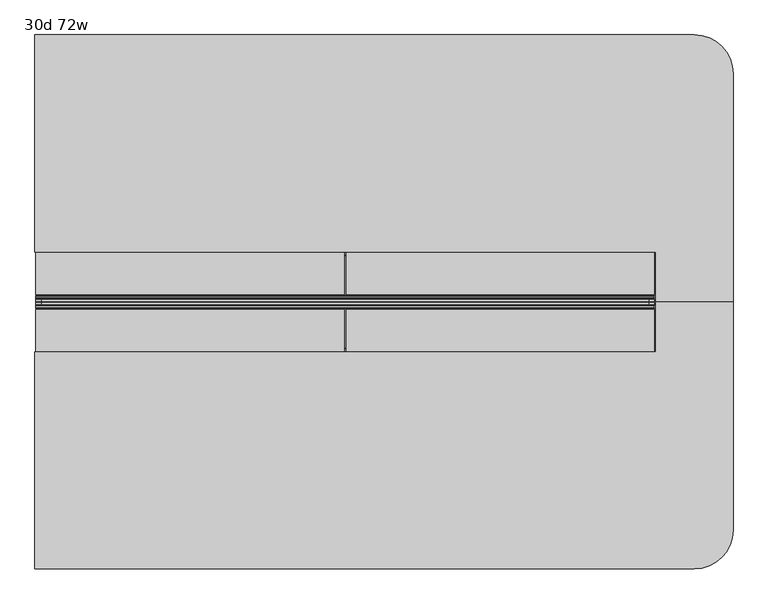
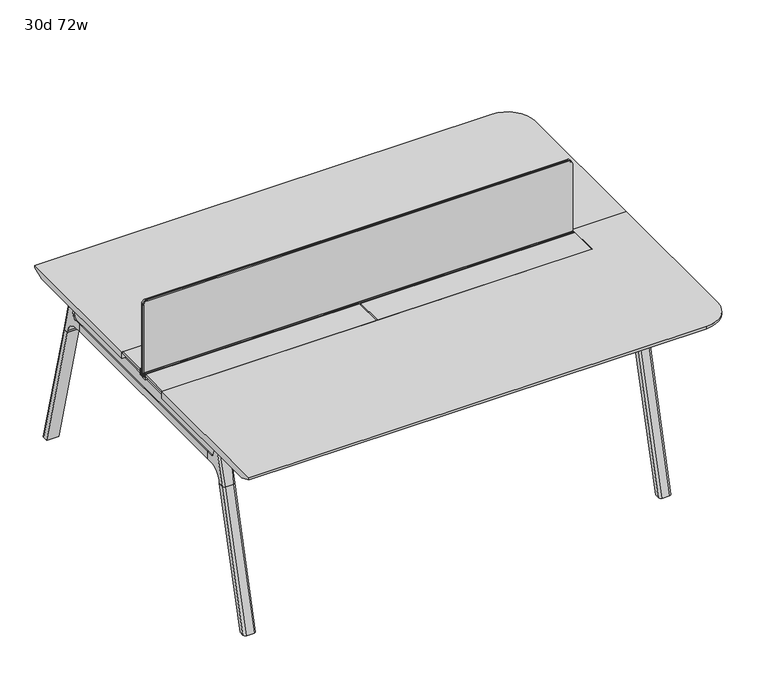
"""IFC4 building model written with IfcOpenShell, lengths in millimetres: furniture geometry, 30d 72w."""

from ifc_helpers import new_model, si_unit, point, frame, frame_2d, origin, place, context, project, spatial, polyline, circle_curve, ellipse_curve, trimmed, segment, composite_curve, outline, extrude, source, transform, mapped, element, save
from ifc_brep_helpers import plane_surface, cylinder_surface, revolved_surface, advanced_brep


def furniture_30d_72w_a3f4189d(model_context):
    return source(origin(), model_context, "Body", "SolidModel", [
        extrude(outline(polyline([(-18.0090763, 706.4375), (3.7767266, 706.4375), (3.7767266, 705.2310087), (-17.4495292, 705.2310087), (-19.0070753, 703.6734626), (-49.1186716, 567.0903512), (-50.5285062, 567.4011683), (-20.404074, 704.0425023), (-18.0090763, 706.4375)])), frame((-469.9, 0.0, 0.0), z_axis=(1.0, 0.0, 0.0), x_axis=(0.0, 1.0, 0.0)), (0.0, 0.0, 1.0), 31.8008024),
        extrude(outline(polyline([(-381.4978768, 706.4375), (-379.1028791, 704.0425023), (-348.9784469, 567.4011683), (-350.3882815, 567.0903512), (-380.4998778, 703.6734626), (-382.0574239, 705.2310087), (-403.2836797, 705.2310087), (-403.2836797, 706.4375), (-381.4978768, 706.4375)])), frame((-469.9, 0.0, 0.0), z_axis=(1.0, 0.0, 0.0), x_axis=(0.0, 1.0, 0.0)), (0.0, 0.0, 1.0), 31.8008024),
        extrude(outline(polyline([(-18.0090763, 706.4375), (3.7767266, 706.4375), (3.7767266, 705.2310087), (-17.4495292, 705.2310087), (-19.0070753, 703.6734626), (-49.1186716, 567.0903512), (-50.5285062, 567.4011683), (-20.404074, 704.0425023), (-18.0090763, 706.4375)])), frame((869.8991976, 0.0, 0.0), z_axis=(1.0, 0.0, 0.0), x_axis=(0.0, 1.0, 0.0)), (0.0, 0.0, 1.0), 31.8008024),
        extrude(outline(polyline([(-381.4978768, 706.4375), (-379.1028791, 704.0425023), (-348.9784469, 567.4011683), (-350.3882815, 567.0903512), (-380.4998778, 703.6734626), (-382.0574239, 705.2310087), (-403.2836797, 705.2310087), (-403.2836797, 706.4375), (-381.4978768, 706.4375)])), frame((869.8991976, 0.0, 0.0), z_axis=(1.0, 0.0, 0.0), x_axis=(0.0, 1.0, 0.0)), (0.0, 0.0, 1.0), 31.8008024),
        extrude(outline(polyline([(-353.550475, 565.5309966), (-351.518477, 567.5629947), (-350.957211, 567.0017287), (-352.756725, 565.2022146), (-352.756725, 557.3042827), (-352.5317745, 556.4647622), (-337.4390802, 530.3234395), (-336.0037101, 529.4947272), (-63.503243, 529.4947272), (-62.0678729, 530.3234395), (-46.9751786, 556.4647622), (-46.7502281, 557.3042827), (-46.7502281, 565.2022146), (-48.5497421, 567.0017287), (-47.9884761, 567.5629947), (-45.9564781, 565.5309966), (-45.9564781, 557.1997828), (-46.2355217, 556.1583856), (-61.4868074, 529.7423744), (-63.2905581, 528.7009772), (-336.216395, 528.7009772), (-338.0201457, 529.7423744), (-353.2714314, 556.1583856), (-353.550475, 557.1997828), (-353.550475, 565.5309966)])), frame((-469.8492037, 0.0, 0.0), z_axis=(1.0, 0.0, 0.0), x_axis=(0.0, 1.0, 0.0)), (0.0, 0.0, 1.0), 1371.5492037),
        extrude(outline(composite_curve([segment(polyline([(330.4715234, 711.2), (321.4134226, 677.3947076)]), True, "CONTINUOUS"), segment(trimmed(circle_curve(frame_2d((306.0793501, 681.5034599)), 15.875), [point((321.4134226, 677.3947076))], [point((306.0793501, 665.6284599))], False, "CARTESIAN"), True, "CONTINUOUS"), segment(polyline([(306.0793501, 665.6284599), (-705.5863033, 665.6284599)]), True, "CONTINUOUS"), segment(trimmed(circle_curve(frame_2d((-705.5863033, 681.5034599)), 15.875), [point((-705.5863033, 665.6284599))], [point((-720.9203758, 677.3947076))], False, "CARTESIAN"), True, "CONTINUOUS"), segment(polyline([(-720.9203758, 677.3947076), (-729.9784766, 711.2), (330.4715234, 711.2)]), True, "CONTINUOUS")], self_intersect=False)), frame((-685.8, 0.0, 0.0), z_axis=(1.0, 0.0, 0.0), x_axis=(0.0, 1.0, 0.0)), (0.0, 0.0, 1.0), 38.1),
        extrude(outline(polyline([(-641.35, 270.1465234), (-641.35, -669.6534766), (-692.15, -669.6534766), (-692.15, 270.1465234), (-641.35, 270.1465234)])), frame((0.0, 0.0, 635.6476591), z_axis=(0.0, 0.0, 1.0), x_axis=(1.0, 0.0, 0.0)), (0.0, 0.0, 1.0), 29.9808008),
        advanced_brep(
        [(-641.35, 324.1678522, 711.2), (-641.35, 315.1097514, 677.3947076), (-641.35, 299.7756789, 665.6284599), (-641.35, 270.1465234, 665.6284599), (-641.35, 270.1465234, 635.6476591), (-641.35, 293.0177557, 635.6476591), (-641.35, 357.4208601, 586.2294189), (-641.35, 359.9790723, 576.6820411), (-641.35, 381.0830422, 576.6820411), (-641.35, 345.6343986, 711.2), (-692.15, 359.9790723, 576.6820411), (-692.15, 357.4208601, 586.2294189), (-692.15, 293.0177557, 635.6476591), (-692.15, 270.1465234, 635.6476591), (-692.15, 270.1465234, 665.6284599), (-692.15, 299.7756789, 665.6284599), (-692.15, 315.1097514, 677.3947076), (-692.15, 324.1678522, 711.2), (-692.15, 345.6343986, 711.2), (-692.15, 381.0830422, 576.6820411), (-647.6138162, 354.8892431, 711.2), (-685.8861838, 354.8892431, 711.2), (-682.625, 390.9332216, 576.6820411), (-650.875, 390.9332216, 576.6820411)],
        [
            (0, 1),
            (1, 2, circle_curve(frame((-641.35, 299.7756789, 681.5034599), z_axis=(-1.0, 0.0, 0.0), x_axis=(0.0, 1.0, 0.0)), 15.875)),
            (2, 3),
            (3, 4),
            (4, 5),
            (5, 6, circle_curve(frame((-641.35, 293.0177557, 568.9726591), z_axis=(-1.0, 0.0, 0.0), x_axis=(0.0, 1.0, 0.0)), 66.675)),
            (6, 7),
            (7, 8),
            (8, 9),
            (9, 0),
            (10, 11),
            (11, 12, circle_curve(frame((-692.15, 293.0177557, 568.9726591), z_axis=(1.0, 0.0, 0.0), x_axis=(0.0, 1.0, 0.0)), 66.675)),
            (12, 13),
            (13, 14),
            (14, 15),
            (15, 16, circle_curve(frame((-692.15, 299.7756789, 681.5034599), z_axis=(1.0, 0.0, 0.0), x_axis=(0.0, 1.0, 0.0)), 15.875)),
            (16, 17),
            (17, 18),
            (18, 19),
            (19, 10),
            (17, 0),
            (9, 20, ellipse_curve(frame((-650.875, 345.6343986, 711.2), z_axis=(0.0, 0.0, 1.0), x_axis=(0.0, 1.0, 0.0)), 9.8501793, 9.525)),
            (20, 21),
            (21, 18, ellipse_curve(frame((-682.625, 345.6343986, 711.2), z_axis=(0.0, 0.0, 1.0), x_axis=(0.0, 1.0, 0.0)), 9.8501793, 9.525)),
            (16, 1),
            (15, 2),
            (14, 3),
            (13, 4),
            (12, 5),
            (11, 6),
            (10, 7),
            (19, 22, ellipse_curve(frame((-682.625, 381.0830422, 576.6820411), z_axis=(0.0, 0.0, -1.0), x_axis=(0.0, 1.0, 0.0)), 9.8501793, 9.525)),
            (22, 23),
            (23, 8, ellipse_curve(frame((-650.875, 381.0830422, 576.6820411), z_axis=(0.0, 0.0, -1.0), x_axis=(0.0, 1.0, 0.0)), 9.8501793, 9.525)),
            (20, 23, ellipse_curve(frame((-650.875, -205.4364925, 2802.3641142), z_axis=(0.0, 0.9659258262890684, 0.2588190451025206), x_axis=(0.0, 0.2588190451025206, -0.9659258262890684)), 2304.1956354, 9.525)),
            (22, 21, ellipse_curve(frame((-682.625, -205.4364925, 2802.3641142), z_axis=(0.0, 0.9659258262890684, 0.2588190451025206), x_axis=(0.0, 0.2588190451025206, -0.9659258262890684)), 2304.1956354, 9.525)),
        ],
        [
            plane_surface(frame((-641.35, 354.8892431, 711.2), z_axis=(1.0, 0.0, 0.0), x_axis=(0.0, -1.0, 0.0))),
            plane_surface(frame((-692.15, 354.8892431, 711.2), z_axis=(-1.0, 0.0, 0.0), x_axis=(0.0, 1.0, 0.0))),
            plane_surface(frame((-641.35, 354.8892431, 711.2), z_axis=(0.0, 0.0, 1.0), x_axis=(-1.0, 0.0, 0.0))),
            plane_surface(frame((-641.35, 324.1678522, 711.2), z_axis=(0.0, -0.9659258262890683, 0.2588190451025207), x_axis=(-1.0, 0.0, 0.0))),
            revolved_surface(polyline([(-692.15, 315.6506789, 681.5034599), (-641.35, 315.6506789, 681.5034599)]), (-692.15, 299.7756789, 681.5034599), (-1.0, 0.0, 0.0)),
            plane_surface(frame((-641.35, 299.7756789, 665.6284599), z_axis=(0.0, 0.0, 1.0), x_axis=(-1.0, 0.0, 0.0))),
            plane_surface(frame((-641.35, 270.1465234, 665.6284599), z_axis=(0.0, -1.0, 0.0), x_axis=(-1.0, 0.0, 0.0))),
            plane_surface(frame((-641.35, 270.1465234, 635.6476591), z_axis=(0.0, 0.0, -1.0), x_axis=(-1.0, 0.0, 0.0))),
            revolved_surface(polyline([(-692.15, 359.6927557, 568.9726591), (-641.35, 359.6927557, 568.9726591)]), (-692.15, 293.0177557, 568.9726591), (-1.0, 0.0, 0.0)),
            plane_surface(frame((-641.35, 357.4208601, 586.2294189), z_axis=(0.0, -0.9659258262890693, -0.25881904510251696), x_axis=(-1.0, 0.0, 0.0))),
            plane_surface(frame((-641.35, 359.9790723, 576.6820411), z_axis=(0.0, 0.0, -1.0), x_axis=(-1.0, 0.0, 0.0))),
            plane_surface(frame((-641.35, 390.9332216, 576.6820411), z_axis=(0.0, 0.9659258262890684, 0.2588190451025206), x_axis=(-1.0, 0.0, 0.0))),
            cylinder_surface(frame((-650.875, 533.6919371, -2.4271979), z_axis=(0.0, 0.25482392474081483, -0.966987470125486), x_axis=(-1.0, 0.0, 0.0)), 9.525),
            cylinder_surface(frame((-682.625, 533.6919371, -2.4271979), z_axis=(0.0, 0.25482392474081483, -0.966987470125486), x_axis=(-1.0, 0.0, 0.0)), 9.525),
        ],
        [
            (0, [[1, 2, 3, 4, 5, 6, 7, 8, 9, 10]]),
            (1, [[11, 12, 13, 14, 15, 16, 17, 18, 19, 20]]),
            (2, [[21, -10, 22, 23, 24, -18]]),
            (3, [[-1, -21, -17, 25]]),
            (4, [[-2, -25, -16, 26]]),
            (5, [[-3, -26, -15, 27]]),
            (6, [[-4, -27, -14, 28]]),
            (7, [[-5, -28, -13, 29]]),
            (8, [[-6, -29, -12, 30]]),
            (9, [[-7, -30, -11, 31]]),
            (10, [[-31, -20, 32, 33, 34, -8]]),
            (11, [[-23, 35, -33, 36]]),
            (12, [[-9, -34, -35, -22]]),
            (13, [[-19, -24, -36, -32]]),
        ],
    ),
        advanced_brep(
        [(-641.35, 359.9790723, 576.6820411), (-641.35, 511.9483435, 0.0), (-641.35, 533.0523134, 0.0), (-641.35, 381.0830422, 576.6820411), (-692.15, 511.9483435, 0.0), (-692.15, 359.9790723, 576.6820411), (-692.15, 381.0830422, 576.6820411), (-692.15, 533.0523134, 0.0), (-650.875, 390.9332216, 576.6820411), (-682.625, 390.9332216, 576.6820411), (-682.625, 542.9024927, 0.0), (-650.875, 542.9024927, 0.0)],
        [
            (0, 1),
            (1, 2),
            (2, 3),
            (3, 0),
            (4, 5),
            (5, 6),
            (6, 7),
            (7, 4),
            (5, 0),
            (3, 8, ellipse_curve(frame((-650.875, 381.0830422, 576.6820411), z_axis=(0.0, 0.0, 1.0), x_axis=(0.0, 1.0, 0.0)), 9.8501793, 9.525)),
            (8, 9),
            (9, 6, ellipse_curve(frame((-682.625, 381.0830422, 576.6820411), z_axis=(0.0, 0.0, 1.0), x_axis=(0.0, 1.0, 0.0)), 9.8501793, 9.525)),
            (4, 1),
            (7, 10, ellipse_curve(frame((-682.625, 533.0523134, 0.0), z_axis=(0.0, 0.0, -1.0), x_axis=(0.0, 1.0, 0.0)), 9.8501793, 9.525)),
            (10, 11),
            (11, 2, ellipse_curve(frame((-650.875, 533.0523134, 0.0), z_axis=(0.0, 0.0, -1.0), x_axis=(0.0, 1.0, 0.0)), 9.8501793, 9.525)),
            (8, 11),
            (10, 9),
        ],
        [
            plane_surface(frame((-641.35, 390.9332216, 576.6820411), z_axis=(1.0, 0.0, 0.0), x_axis=(0.0, -1.0, 0.0))),
            plane_surface(frame((-692.15, 390.9332216, 576.6820411), z_axis=(-1.0, 0.0, 0.0), x_axis=(0.0, 1.0, 0.0))),
            plane_surface(frame((-641.35, 390.9332216, 576.6820411), z_axis=(0.0, 0.0, 1.0), x_axis=(-1.0, 0.0, 0.0))),
            plane_surface(frame((-641.35, 359.9790723, 576.6820411), z_axis=(0.0, -0.9669874701254844, -0.2548239247408208), x_axis=(-1.0, 0.0, 0.0))),
            plane_surface(frame((-641.35, 511.9483435, 0.0), z_axis=(0.0, 0.0, -1.0), x_axis=(-1.0, 0.0, 0.0))),
            plane_surface(frame((-641.35, 542.9024927, 0.0), z_axis=(0.0, 0.9669874701254855, 0.2548239247408166), x_axis=(-1.0, 0.0, 0.0))),
            cylinder_surface(frame((-650.875, 533.6919371, -2.4271979), z_axis=(0.0, 0.25482392474081483, -0.966987470125486), x_axis=(-1.0, 0.0, 0.0)), 9.525),
            cylinder_surface(frame((-682.625, 533.6919371, -2.4271979), z_axis=(0.0, 0.25482392474081483, -0.966987470125486), x_axis=(-1.0, 0.0, 0.0)), 9.525),
        ],
        [
            (0, [[1, 2, 3, 4]]),
            (1, [[5, 6, 7, 8]]),
            (2, [[9, -4, 10, 11, 12, -6]]),
            (3, [[-1, -9, -5, 13]]),
            (4, [[-13, -8, 14, 15, 16, -2]]),
            (5, [[-11, 17, -15, 18]]),
            (6, [[-3, -16, -17, -10]]),
            (7, [[-7, -12, -18, -14]]),
        ],
    ),
        advanced_brep(
        [(-692.15, -723.6748053, 711.2), (-692.15, -714.6167045, 677.3947076), (-692.15, -699.282632, 665.6284599), (-692.15, -669.6534766, 665.6284599), (-692.15, -669.6534766, 635.6476591), (-692.15, -692.5247088, 635.6476591), (-692.15, -756.9278133, 586.2294189), (-692.15, -759.4860254, 576.6820411), (-692.15, -780.5899953, 576.6820411), (-692.15, -745.1413517, 711.2), (-641.35, -759.4860254, 576.6820411), (-641.35, -756.9278133, 586.2294189), (-641.35, -692.5247088, 635.6476591), (-641.35, -669.6534766, 635.6476591), (-641.35, -669.6534766, 665.6284599), (-641.35, -699.282632, 665.6284599), (-641.35, -714.6167045, 677.3947076), (-641.35, -723.6748053, 711.2), (-641.35, -745.1413517, 711.2), (-641.35, -780.5899953, 576.6820411), (-685.8861838, -754.3961962, 711.2), (-647.6138162, -754.3961962, 711.2), (-650.875, -790.4401747, 576.6820411), (-682.625, -790.4401747, 576.6820411)],
        [
            (0, 1),
            (1, 2, circle_curve(frame((-692.15, -699.282632, 681.5034599), z_axis=(1.0, 0.0, 0.0), x_axis=(0.0, -1.0, 0.0)), 15.875)),
            (2, 3),
            (3, 4),
            (4, 5),
            (5, 6, circle_curve(frame((-692.15, -692.5247088, 568.9726591), z_axis=(1.0, 0.0, 0.0), x_axis=(0.0, -1.0, 0.0)), 66.675)),
            (6, 7),
            (7, 8),
            (8, 9),
            (9, 0),
            (10, 11),
            (11, 12, circle_curve(frame((-641.35, -692.5247088, 568.9726591), z_axis=(-1.0, 0.0, 0.0), x_axis=(0.0, -1.0, 0.0)), 66.675)),
            (12, 13),
            (13, 14),
            (14, 15),
            (15, 16, circle_curve(frame((-641.35, -699.282632, 681.5034599), z_axis=(-1.0, 0.0, 0.0), x_axis=(0.0, -1.0, 0.0)), 15.875)),
            (16, 17),
            (17, 18),
            (18, 19),
            (19, 10),
            (17, 0),
            (9, 20, ellipse_curve(frame((-682.625, -745.1413517, 711.2), z_axis=(0.0, 0.0, 1.0), x_axis=(0.0, -1.0, 0.0)), 9.8501793, 9.525)),
            (20, 21),
            (21, 18, ellipse_curve(frame((-650.875, -745.1413517, 711.2), z_axis=(0.0, 0.0, 1.0), x_axis=(0.0, -1.0, 0.0)), 9.8501793, 9.525)),
            (16, 1),
            (15, 2),
            (14, 3),
            (13, 4),
            (12, 5),
            (11, 6),
            (10, 7),
            (19, 22, ellipse_curve(frame((-650.875, -780.5899953, 576.6820411), z_axis=(0.0, 0.0, -1.0), x_axis=(0.0, -1.0, 0.0)), 9.8501793, 9.525)),
            (22, 23),
            (23, 8, ellipse_curve(frame((-682.625, -780.5899953, 576.6820411), z_axis=(0.0, 0.0, -1.0), x_axis=(0.0, -1.0, 0.0)), 9.8501793, 9.525)),
            (20, 23, ellipse_curve(frame((-682.625, -194.0704606, 2802.3641142), z_axis=(0.0, -0.9659258262890684, 0.2588190451025206), x_axis=(0.0, -0.2588190451025206, -0.9659258262890684)), 2304.1956354, 9.525)),
            (22, 21, ellipse_curve(frame((-650.875, -194.0704606, 2802.3641142), z_axis=(0.0, -0.9659258262890684, 0.2588190451025206), x_axis=(0.0, -0.2588190451025206, -0.9659258262890684)), 2304.1956354, 9.525)),
        ],
        [
            plane_surface(frame((-692.15, -754.3961962, 711.2), z_axis=(-1.0, 0.0, 0.0), x_axis=(0.0, 1.0, 0.0))),
            plane_surface(frame((-641.35, -754.3961962, 711.2), z_axis=(1.0, 0.0, 0.0), x_axis=(0.0, -1.0, 0.0))),
            plane_surface(frame((-692.15, -754.3961962, 711.2), z_axis=(0.0, 0.0, 1.0), x_axis=(1.0, 0.0, 0.0))),
            plane_surface(frame((-692.15, -723.6748053, 711.2), z_axis=(0.0, 0.9659258262890683, 0.2588190451025207), x_axis=(1.0, 0.0, 0.0))),
            revolved_surface(polyline([(-641.35, -715.157632, 681.5034599), (-692.15, -715.157632, 681.5034599)]), (-641.35, -699.282632, 681.5034599), (1.0, 0.0, 0.0)),
            plane_surface(frame((-692.15, -699.282632, 665.6284599), z_axis=(0.0, 0.0, 1.0), x_axis=(1.0, 0.0, 0.0))),
            plane_surface(frame((-692.15, -669.6534766, 665.6284599), z_axis=(0.0, 1.0, 0.0), x_axis=(1.0, 0.0, 0.0))),
            plane_surface(frame((-692.15, -669.6534766, 635.6476591), z_axis=(0.0, 0.0, -1.0), x_axis=(1.0, 0.0, 0.0))),
            revolved_surface(polyline([(-641.35, -759.1997087999999, 568.9726591), (-692.15, -759.1997087999999, 568.9726591)]), (-641.35, -692.5247088, 568.9726591), (1.0, 0.0, 0.0)),
            plane_surface(frame((-692.15, -756.9278133, 586.2294189), z_axis=(0.0, 0.9659258262890693, -0.25881904510251696), x_axis=(1.0, 0.0, 0.0))),
            plane_surface(frame((-692.15, -759.4860254, 576.6820411), z_axis=(0.0, 0.0, -1.0), x_axis=(1.0, 0.0, 0.0))),
            plane_surface(frame((-692.15, -790.4401747, 576.6820411), z_axis=(0.0, -0.9659258262890684, 0.2588190451025206), x_axis=(1.0, 0.0, 0.0))),
            cylinder_surface(frame((-682.625, -933.1988902, -2.4271979), z_axis=(0.0, -0.25482392474081483, -0.966987470125486), x_axis=(1.0, 0.0, 0.0)), 9.525),
            cylinder_surface(frame((-650.875, -933.1988902, -2.4271979), z_axis=(0.0, -0.25482392474081483, -0.966987470125486), x_axis=(1.0, 0.0, 0.0)), 9.525),
        ],
        [
            (0, [[1, 2, 3, 4, 5, 6, 7, 8, 9, 10]]),
            (1, [[11, 12, 13, 14, 15, 16, 17, 18, 19, 20]]),
            (2, [[21, -10, 22, 23, 24, -18]]),
            (3, [[-1, -21, -17, 25]]),
            (4, [[-2, -25, -16, 26]]),
            (5, [[-3, -26, -15, 27]]),
            (6, [[-4, -27, -14, 28]]),
            (7, [[-5, -28, -13, 29]]),
            (8, [[-6, -29, -12, 30]]),
            (9, [[-7, -30, -11, 31]]),
            (10, [[-31, -20, 32, 33, 34, -8]]),
            (11, [[-23, 35, -33, 36]]),
            (12, [[-9, -34, -35, -22]]),
            (13, [[-19, -24, -36, -32]]),
        ],
    ),
        advanced_brep(
        [(-692.15, -759.4860254, 576.6820411), (-692.15, -911.4552966, 0.0), (-692.15, -932.5592665, 0.0), (-692.15, -780.5899953, 576.6820411), (-641.35, -911.4552966, 0.0), (-641.35, -759.4860254, 576.6820411), (-641.35, -780.5899953, 576.6820411), (-641.35, -932.5592665, 0.0), (-682.625, -790.4401747, 576.6820411), (-650.875, -790.4401747, 576.6820411), (-650.875, -942.4094458, 0.0), (-682.625, -942.4094458, 0.0)],
        [
            (0, 1),
            (1, 2),
            (2, 3),
            (3, 0),
            (4, 5),
            (5, 6),
            (6, 7),
            (7, 4),
            (5, 0),
            (3, 8, ellipse_curve(frame((-682.625, -780.5899953, 576.6820411), z_axis=(0.0, 0.0, 1.0), x_axis=(0.0, -1.0, 0.0)), 9.8501793, 9.525)),
            (8, 9),
            (9, 6, ellipse_curve(frame((-650.875, -780.5899953, 576.6820411), z_axis=(0.0, 0.0, 1.0), x_axis=(0.0, -1.0, 0.0)), 9.8501793, 9.525)),
            (4, 1),
            (7, 10, ellipse_curve(frame((-650.875, -932.5592665, 0.0), z_axis=(0.0, 0.0, -1.0), x_axis=(0.0, -1.0, 0.0)), 9.8501793, 9.525)),
            (10, 11),
            (11, 2, ellipse_curve(frame((-682.625, -932.5592665, 0.0), z_axis=(0.0, 0.0, -1.0), x_axis=(0.0, -1.0, 0.0)), 9.8501793, 9.525)),
            (8, 11),
            (10, 9),
        ],
        [
            plane_surface(frame((-692.15, -790.4401747, 576.6820411), z_axis=(-1.0, 0.0, 0.0), x_axis=(0.0, 1.0, 0.0))),
            plane_surface(frame((-641.35, -790.4401747, 576.6820411), z_axis=(1.0, 0.0, 0.0), x_axis=(0.0, -1.0, 0.0))),
            plane_surface(frame((-692.15, -790.4401747, 576.6820411), z_axis=(0.0, 0.0, 1.0), x_axis=(1.0, 0.0, 0.0))),
            plane_surface(frame((-692.15, -759.4860254, 576.6820411), z_axis=(0.0, 0.9669874701254844, -0.2548239247408208), x_axis=(1.0, 0.0, 0.0))),
            plane_surface(frame((-692.15, -911.4552966, 0.0), z_axis=(0.0, 0.0, -1.0), x_axis=(1.0, 0.0, 0.0))),
            plane_surface(frame((-692.15, -942.4094458, 0.0), z_axis=(0.0, -0.9669874701254855, 0.2548239247408166), x_axis=(1.0, 0.0, 0.0))),
            cylinder_surface(frame((-682.625, -933.1988902, -2.4271979), z_axis=(0.0, -0.25482392474081483, -0.966987470125486), x_axis=(1.0, 0.0, 0.0)), 9.525),
            cylinder_surface(frame((-650.875, -933.1988902, -2.4271979), z_axis=(0.0, -0.25482392474081483, -0.966987470125486), x_axis=(1.0, 0.0, 0.0)), 9.525),
        ],
        [
            (0, [[1, 2, 3, 4]]),
            (1, [[5, 6, 7, 8]]),
            (2, [[9, -4, 10, 11, 12, -6]]),
            (3, [[-1, -9, -5, 13]]),
            (4, [[-13, -8, 14, 15, 16, -2]]),
            (5, [[-11, 17, -15, 18]]),
            (6, [[-3, -16, -17, -10]]),
            (7, [[-7, -12, -18, -14]]),
        ],
    ),
        advanced_brep(
        [(1130.3, -347.3909766, 741.3625), (-698.5, -347.3909766, 741.3625), (-698.5, -987.1534766, 741.3625), (1244.6, -987.1534766, 741.3625), (1358.9, -872.8534766, 741.3625), (1358.9, -199.7534766, 741.3625), (1130.3, -199.7534766, 741.3625), (1130.3, -347.3909766, 711.2), (1130.3, -199.7534766, 711.2), (1308.1, -199.7534766, 711.2), (1308.1, -872.8534766, 711.2), (1244.6, -936.3534766, 711.2), (-698.5, -936.3534766, 711.2), (-698.5, -347.3909766, 711.2), (-698.5, -987.1534766, 731.8375), (1244.6, -987.1534766, 731.8375), (1358.9, -872.8534766, 731.8375), (1358.9, -199.7534766, 731.8375)],
        [
            (0, 1),
            (1, 2),
            (2, 3),
            (3, 4, circle_curve(frame((1244.6, -872.8534766, 741.3625), z_axis=(0.0, 0.0, 1.0), x_axis=(1.0, 0.0, 0.0)), 114.3)),
            (4, 5),
            (5, 6),
            (6, 0),
            (7, 8),
            (8, 9),
            (9, 10),
            (10, 11, circle_curve(frame((1244.6, -872.8534766, 711.2), z_axis=(0.0, 0.0, -1.0), x_axis=(0.0, -1.0, 0.0)), 63.5)),
            (11, 12),
            (12, 13),
            (13, 7),
            (0, 7),
            (13, 1),
            (12, 14),
            (14, 2),
            (14, 15),
            (15, 3),
            (4, 16),
            (16, 17),
            (17, 5),
            (15, 16, circle_curve(frame((1244.6, -872.8534766, 731.8375), z_axis=(0.0, 0.0, 1.0), x_axis=(1.0, 0.0, 0.0)), 114.3)),
            (17, 9),
            (8, 6),
            (11, 15),
            (10, 16),
        ],
        [
            plane_surface(frame((-698.5, -347.3909766, 741.3625), z_axis=(0.0, 0.0, 1.0), x_axis=(-1.0, 0.0, 0.0))),
            plane_surface(frame((-698.5, -347.3909766, 711.2), z_axis=(0.0, 0.0, -1.0), x_axis=(1.0, 0.0, 0.0))),
            plane_surface(frame((1130.3, -347.3909766, 741.3625), z_axis=(0.0, 1.0, 0.0), x_axis=(0.0, 0.0, -1.0))),
            plane_surface(frame((-698.5, -347.3909766, 741.3625), z_axis=(-1.0, 0.0, 0.0), x_axis=(0.0, 0.0, -1.0))),
            plane_surface(frame((-698.5, -987.1534766, 741.3625), z_axis=(0.0, -1.0, 0.0), x_axis=(0.0, 0.0, -1.0))),
            plane_surface(frame((1358.9, -872.8534766, 741.3625), z_axis=(1.0, 0.0, 0.0), x_axis=(0.0, 0.0, -1.0))),
            cylinder_surface(frame((1244.6, -872.8534766, 711.2), z_axis=(0.0, 0.0, 1.0), x_axis=(1.0, 0.0, 0.0)), 114.3),
            plane_surface(frame((1358.9, -199.7534766, 741.3625), z_axis=(0.0, 1.0, 0.0), x_axis=(0.0, 0.0, -1.0))),
            plane_surface(frame((1130.3, -199.7534766, 741.3625), z_axis=(-1.0, 0.0, 0.0), x_axis=(0.0, 0.0, -1.0))),
            plane_surface(frame((-698.5, -987.1534766, 731.8375), z_axis=(0.0, -0.3763770469570871, -0.9264665771218423), x_axis=(1.0, 0.0, 0.0))),
            revolved_surface(polyline([(1244.6, -936.3534766, 711.2), (1244.6, -987.1534766, 731.8375)]), (1244.6, -872.8534766, 711.2), (0.0, 0.0, 1.0)),
            plane_surface(frame((1358.9, -872.8534766, 731.8375), z_axis=(0.3763770469570871, 0.0, -0.9264665771218423), x_axis=(0.0, 1.0, 0.0))),
        ],
        [
            (0, [[1, 2, 3, 4, 5, 6, 7]]),
            (1, [[8, 9, 10, 11, 12, 13, 14]]),
            (2, [[-1, 15, -14, 16]]),
            (3, [[-2, -16, -13, 17, 18]]),
            (4, [[-3, -18, 19, 20]]),
            (5, [[-5, 21, 22, 23]]),
            (6, [[-4, -20, 24, -21]]),
            (7, [[-6, -23, 25, -9, 26]]),
            (8, [[-7, -26, -8, -15]]),
            (9, [[27, -19, -17, -12]]),
            (10, [[-27, -11, 28, -24]]),
            (11, [[-28, -10, -25, -22]]),
        ],
    ),
        advanced_brep(
        [(1130.3, -52.1159766, 741.3625), (1130.3, -199.7534766, 741.3625), (1358.9, -199.7534766, 741.3625), (1358.9, 473.3465234, 741.3625), (1244.6, 587.6465234, 741.3625), (-698.5, 587.6465234, 741.3625), (-698.5, -52.1159766, 741.3625), (1130.3, -52.1159766, 711.2), (-698.5, -52.1159766, 711.2), (-698.5, 536.8465234, 711.2), (1244.6, 536.8465234, 711.2), (1308.1, 473.3465234, 711.2), (1308.1, -199.7534766, 711.2), (1130.3, -199.7534766, 711.2), (-698.5, 587.6465234, 731.8375), (1244.6, 587.6465234, 731.8375), (1358.9, -199.7534766, 731.8375), (1358.9, 473.3465234, 731.8375)],
        [
            (0, 1),
            (1, 2),
            (2, 3),
            (3, 4, circle_curve(frame((1244.6, 473.3465234, 741.3625), z_axis=(0.0, 0.0, 1.0), x_axis=(1.0, 0.0, 0.0)), 114.3)),
            (4, 5),
            (5, 6),
            (6, 0),
            (7, 8),
            (8, 9),
            (9, 10),
            (10, 11, circle_curve(frame((1244.6, 473.3465234, 711.2), z_axis=(0.0, 0.0, -1.0), x_axis=(0.0, 1.0, 0.0)), 63.5)),
            (11, 12),
            (12, 13),
            (13, 7),
            (6, 8),
            (7, 0),
            (5, 14),
            (14, 9),
            (4, 15),
            (15, 14),
            (2, 16),
            (16, 17),
            (17, 3),
            (17, 15, circle_curve(frame((1244.6, 473.3465234, 731.8375), z_axis=(0.0, 0.0, 1.0), x_axis=(1.0, 0.0, 0.0)), 114.3)),
            (1, 13),
            (12, 16),
            (15, 10),
            (17, 11),
        ],
        [
            plane_surface(frame((-698.5, -52.1159766, 741.3625), z_axis=(0.0, 0.0, 1.0), x_axis=(-1.0, 0.0, 0.0))),
            plane_surface(frame((-698.5, -52.1159766, 711.2), z_axis=(0.0, 0.0, -1.0), x_axis=(1.0, 0.0, 0.0))),
            plane_surface(frame((1130.3, -52.1159766, 741.3625), z_axis=(0.0, -1.0, 0.0), x_axis=(0.0, 0.0, -1.0))),
            plane_surface(frame((-698.5, -52.1159766, 741.3625), z_axis=(-1.0, 0.0, 0.0), x_axis=(0.0, 0.0, -1.0))),
            plane_surface(frame((-698.5, 587.6465234, 741.3625), z_axis=(0.0, 1.0, 0.0), x_axis=(0.0, 0.0, -1.0))),
            plane_surface(frame((1358.9, 473.3465234, 741.3625), z_axis=(1.0, 0.0, 0.0), x_axis=(0.0, 0.0, -1.0))),
            cylinder_surface(frame((1244.6, 473.3465234, 711.2), z_axis=(0.0, 0.0, 1.0), x_axis=(1.0, 0.0, 0.0)), 114.3),
            plane_surface(frame((1358.9, -199.7534766, 741.3625), z_axis=(0.0, -1.0, 0.0), x_axis=(0.0, 0.0, -1.0))),
            plane_surface(frame((1130.3, -199.7534766, 741.3625), z_axis=(-1.0, 0.0, 0.0), x_axis=(0.0, 0.0, -1.0))),
            plane_surface(frame((-698.5, 587.6465234, 731.8375), z_axis=(0.0, 0.3763770469570871, -0.9264665771218423), x_axis=(1.0, 0.0, 0.0))),
            revolved_surface(polyline([(1244.6, 536.8465234, 711.2), (1244.6, 587.6465234, 731.8375)]), (1244.6, 473.3465234, 711.2), (0.0, 0.0, 1.0)),
            plane_surface(frame((1358.9, 473.3465234, 731.8375), z_axis=(0.3763770469570871, 0.0, -0.9264665771218423), x_axis=(0.0, -1.0, 0.0))),
        ],
        [
            (0, [[1, 2, 3, 4, 5, 6, 7]]),
            (1, [[8, 9, 10, 11, 12, 13, 14]]),
            (2, [[15, -8, 16, -7]]),
            (3, [[17, 18, -9, -15, -6]]),
            (4, [[19, 20, -17, -5]]),
            (5, [[21, 22, 23, -3]]),
            (6, [[-23, 24, -19, -4]]),
            (7, [[25, -13, 26, -21, -2]]),
            (8, [[-16, -14, -25, -1]]),
            (9, [[-10, -18, -20, 27]]),
            (10, [[-24, 28, -11, -27]]),
            (11, [[-22, -26, -12, -28]]),
        ],
    ),
        extrude(outline(polyline([(-218.8034766, 715.9625), (-218.8034766, 741.3625), (-217.2159766, 741.3625), (-217.2159766, 720.725), (-210.8659766, 720.725), (-210.8659766, 741.3625), (-209.2784766, 741.3625), (-209.2784766, 717.55), (-190.2284766, 717.55), (-190.2284766, 741.3625), (-188.6409766, 741.3625), (-188.6409766, 720.725), (-182.2909766, 720.725), (-182.2909766, 741.3625), (-180.7034766, 741.3625), (-180.7034766, 715.9625), (-218.8034766, 715.9625)])), frame((-695.325, 0.0, 0.0), z_axis=(1.0, 0.0, 0.0), x_axis=(0.0, 1.0, 0.0)), (0.0, 0.0, 1.0), 1822.45),
        extrude(outline(polyline([(212.725, -52.1159766), (212.725, -177.5284766), (-695.325, -177.5284766), (-695.325, -52.1159766), (212.725, -52.1159766)])), frame((0.0, 0.0, 731.8375), z_axis=(0.0, 0.0, 1.0), x_axis=(1.0, 0.0, 0.0)), (0.0, 0.0, 1.0), 9.525),
        extrude(outline(polyline([(212.725, -221.9784766), (212.725, -347.3909766), (-695.325, -347.3909766), (-695.325, -221.9784766), (212.725, -221.9784766)])), frame((0.0, 0.0, 731.8375), z_axis=(0.0, 0.0, 1.0), x_axis=(1.0, 0.0, 0.0)), (0.0, 0.0, 1.0), 9.525),
        extrude(outline(polyline([(1127.125, -52.1159766), (1127.125, -177.5284766), (219.075, -177.5284766), (219.075, -52.1159766), (1127.125, -52.1159766)])), frame((0.0, 0.0, 731.8375), z_axis=(0.0, 0.0, 1.0), x_axis=(1.0, 0.0, 0.0)), (0.0, 0.0, 1.0), 9.525),
        extrude(outline(polyline([(1127.125, -221.9784766), (1127.125, -347.3909766), (219.075, -347.3909766), (219.075, -221.9784766), (1127.125, -221.9784766)])), frame((0.0, 0.0, 731.8375), z_axis=(0.0, 0.0, 1.0), x_axis=(1.0, 0.0, 0.0)), (0.0, 0.0, 1.0), 9.525),
        extrude(outline(polyline([(920.75, 9.7965234), (920.75, -21.9534766), (-488.95, -21.9534766), (-488.95, 9.7965234), (920.75, 9.7965234)])), frame((0.0, 0.0, 646.1125), z_axis=(0.0, 0.0, 1.0), x_axis=(1.0, 0.0, 0.0)), (0.0, 0.0, 1.0), 50.8),
        extrude(outline(polyline([(920.75, -377.5534766), (920.75, -409.3034766), (-488.95, -409.3034766), (-488.95, -377.5534766), (920.75, -377.5534766)])), frame((0.0, 0.0, 646.1125), z_axis=(0.0, 0.0, 1.0), x_axis=(1.0, 0.0, 0.0)), (0.0, 0.0, 1.0), 50.8),
        extrude(outline(composite_curve([segment(polyline([(1054.89375, 1108.075), (1054.89375, -676.275)]), True, "CONTINUOUS"), segment(trimmed(circle_curve(frame_2d((1039.01875, -676.275)), 15.875), [point((1054.89375, -676.275))], [point((1039.01875, -692.15))], False, "CARTESIAN"), True, "CONTINUOUS"), segment(polyline([(1039.01875, -692.15), (720.725, -692.15), (720.725, 1123.95), (1039.01875, 1123.95)]), True, "CONTINUOUS"), segment(trimmed(circle_curve(frame_2d((1039.01875, 1108.075)), 15.875), [point((1039.01875, 1123.95))], [point((1054.89375, 1108.075))], False, "CARTESIAN"), True, "CONTINUOUS")], self_intersect=False)), frame((0.0, -201.3409766, 0.0), z_axis=(0.0, 1.0, 0.0), x_axis=(0.0, 0.0, 1.0)), (0.0, 0.0, 1.0), 3.175),
        extrude(outline(composite_curve([segment(polyline([(1058.06875, 1111.25), (1058.06875, -679.45)]), True, "CONTINUOUS"), segment(trimmed(circle_curve(frame_2d((1042.19375, -679.45)), 15.875), [point((1058.06875, -679.45))], [point((1042.19375, -695.325))], False, "CARTESIAN"), True, "CONTINUOUS"), segment(polyline([(1042.19375, -695.325), (717.55, -695.325), (717.55, 1127.125), (1042.19375, 1127.125)]), True, "CONTINUOUS"), segment(trimmed(circle_curve(frame_2d((1042.19375, 1111.25)), 15.875), [point((1042.19375, 1127.125))], [point((1058.06875, 1111.25))], False, "CARTESIAN"), True, "CONTINUOUS")], self_intersect=False)), frame((0.0, -198.1659766, 0.0), z_axis=(0.0, 1.0, 0.0), x_axis=(0.0, 0.0, 1.0)), (0.0, 0.0, 1.0), 5.55625),
        extrude(outline(composite_curve([segment(polyline([(1058.06875, 1111.25), (1058.06875, -679.45)]), True, "CONTINUOUS"), segment(trimmed(circle_curve(frame_2d((1042.19375, -679.45)), 15.875), [point((1058.06875, -679.45))], [point((1042.19375, -695.325))], False, "CARTESIAN"), True, "CONTINUOUS"), segment(polyline([(1042.19375, -695.325), (717.55, -695.325), (717.55, 1127.125), (1042.19375, 1127.125)]), True, "CONTINUOUS"), segment(trimmed(circle_curve(frame_2d((1042.19375, 1111.25)), 15.875), [point((1042.19375, 1127.125))], [point((1058.06875, 1111.25))], False, "CARTESIAN"), True, "CONTINUOUS")], self_intersect=False)), frame((0.0, -206.8972266, 0.0), z_axis=(0.0, 1.0, 0.0), x_axis=(0.0, 0.0, 1.0)), (0.0, 0.0, 1.0), 5.55625),
        extrude(outline(composite_curve([segment(polyline([(330.4715234, 711.2), (321.4134226, 677.3947076)]), True, "CONTINUOUS"), segment(trimmed(circle_curve(frame_2d((306.0793501, 681.5034599)), 15.875), [point((321.4134226, 677.3947076))], [point((306.0793501, 665.6284599))], False, "CARTESIAN"), True, "CONTINUOUS"), segment(polyline([(306.0793501, 665.6284599), (-705.5863033, 665.6284599)]), True, "CONTINUOUS"), segment(trimmed(circle_curve(frame_2d((-705.5863033, 681.5034599)), 15.875), [point((-705.5863033, 665.6284599))], [point((-720.9203758, 677.3947076))], False, "CARTESIAN"), True, "CONTINUOUS"), segment(polyline([(-720.9203758, 677.3947076), (-729.9784766, 711.2), (330.4715234, 711.2)]), True, "CONTINUOUS")], self_intersect=False)), frame((1079.5, 0.0, 0.0), z_axis=(1.0, 0.0, 0.0), x_axis=(0.0, 1.0, 0.0)), (0.0, 0.0, 1.0), 38.1),
        extrude(outline(polyline([(1123.95, 270.1465234), (1123.95, -669.6534766), (1073.15, -669.6534766), (1073.15, 270.1465234), (1123.95, 270.1465234)])), frame((0.0, 0.0, 635.6476591), z_axis=(0.0, 0.0, 1.0), x_axis=(1.0, 0.0, 0.0)), (0.0, 0.0, 1.0), 29.9808008),
        advanced_brep(
        [(1073.15, -723.6748053, 711.2), (1073.15, -714.6167045, 677.3947076), (1073.15, -699.282632, 665.6284599), (1073.15, -669.6534766, 665.6284599), (1073.15, -669.6534766, 635.6476591), (1073.15, -692.5247088, 635.6476591), (1073.15, -756.9278133, 586.2294189), (1073.15, -759.4860254, 576.6820411), (1073.15, -780.5899953, 576.6820411), (1073.15, -745.1413517, 711.2), (1123.95, -759.4860254, 576.6820411), (1123.95, -756.9278133, 586.2294189), (1123.95, -692.5247088, 635.6476591), (1123.95, -669.6534766, 635.6476591), (1123.95, -669.6534766, 665.6284599), (1123.95, -699.282632, 665.6284599), (1123.95, -714.6167045, 677.3947076), (1123.95, -723.6748053, 711.2), (1123.95, -745.1413517, 711.2), (1123.95, -780.5899953, 576.6820411), (1079.4138162, -754.3961962, 711.2), (1117.6861838, -754.3961962, 711.2), (1114.425, -790.4401747, 576.6820411), (1082.675, -790.4401747, 576.6820411)],
        [
            (0, 1),
            (1, 2, circle_curve(frame((1073.15, -699.282632, 681.5034599), z_axis=(1.0, 0.0, 0.0), x_axis=(0.0, -1.0, 0.0)), 15.875)),
            (2, 3),
            (3, 4),
            (4, 5),
            (5, 6, circle_curve(frame((1073.15, -692.5247088, 568.9726591), z_axis=(1.0, 0.0, 0.0), x_axis=(0.0, -1.0, 0.0)), 66.675)),
            (6, 7),
            (7, 8),
            (8, 9),
            (9, 0),
            (10, 11),
            (11, 12, circle_curve(frame((1123.95, -692.5247088, 568.9726591), z_axis=(-1.0, 0.0, 0.0), x_axis=(0.0, -1.0, 0.0)), 66.675)),
            (12, 13),
            (13, 14),
            (14, 15),
            (15, 16, circle_curve(frame((1123.95, -699.282632, 681.5034599), z_axis=(-1.0, 0.0, 0.0), x_axis=(0.0, -1.0, 0.0)), 15.875)),
            (16, 17),
            (17, 18),
            (18, 19),
            (19, 10),
            (17, 0),
            (9, 20, ellipse_curve(frame((1082.675, -745.1413517, 711.2), z_axis=(0.0, 0.0, 1.0), x_axis=(0.0, -1.0, 0.0)), 9.8501793, 9.525)),
            (20, 21),
            (21, 18, ellipse_curve(frame((1114.425, -745.1413517, 711.2), z_axis=(0.0, 0.0, 1.0), x_axis=(0.0, -1.0, 0.0)), 9.8501793, 9.525)),
            (16, 1),
            (15, 2),
            (14, 3),
            (13, 4),
            (12, 5),
            (11, 6),
            (10, 7),
            (19, 22, ellipse_curve(frame((1114.425, -780.5899953, 576.6820411), z_axis=(0.0, 0.0, -1.0), x_axis=(0.0, -1.0, 0.0)), 9.8501793, 9.525)),
            (22, 23),
            (23, 8, ellipse_curve(frame((1082.675, -780.5899953, 576.6820411), z_axis=(0.0, 0.0, -1.0), x_axis=(0.0, -1.0, 0.0)), 9.8501793, 9.525)),
            (20, 23, ellipse_curve(frame((1082.675, -194.0704606, 2802.3641142), z_axis=(0.0, -0.9659258262890684, 0.2588190451025206), x_axis=(0.0, -0.2588190451025206, -0.9659258262890684)), 2304.1956354, 9.525)),
            (22, 21, ellipse_curve(frame((1114.425, -194.0704606, 2802.3641142), z_axis=(0.0, -0.9659258262890684, 0.2588190451025206), x_axis=(0.0, -0.2588190451025206, -0.9659258262890684)), 2304.1956354, 9.525)),
        ],
        [
            plane_surface(frame((1073.15, -754.3961962, 711.2), z_axis=(-1.0, 0.0, 0.0), x_axis=(0.0, 1.0, 0.0))),
            plane_surface(frame((1123.95, -754.3961962, 711.2), z_axis=(1.0, 0.0, 0.0), x_axis=(0.0, -1.0, 0.0))),
            plane_surface(frame((1073.15, -754.3961962, 711.2), z_axis=(0.0, 0.0, 1.0), x_axis=(1.0, 0.0, 0.0))),
            plane_surface(frame((1073.15, -723.6748053, 711.2), z_axis=(0.0, 0.9659258262890683, 0.2588190451025207), x_axis=(1.0, 0.0, 0.0))),
            revolved_surface(polyline([(1123.95, -715.157632, 681.5034599), (1073.15, -715.157632, 681.5034599)]), (1123.95, -699.282632, 681.5034599), (1.0, 0.0, 0.0)),
            plane_surface(frame((1073.15, -699.282632, 665.6284599), z_axis=(0.0, 0.0, 1.0), x_axis=(1.0, 0.0, 0.0))),
            plane_surface(frame((1073.15, -669.6534766, 665.6284599), z_axis=(0.0, 1.0, 0.0), x_axis=(1.0, 0.0, 0.0))),
            plane_surface(frame((1073.15, -669.6534766, 635.6476591), z_axis=(0.0, 0.0, -1.0), x_axis=(1.0, 0.0, 0.0))),
            revolved_surface(polyline([(1123.95, -759.1997087999999, 568.9726591), (1073.15, -759.1997087999999, 568.9726591)]), (1123.95, -692.5247088, 568.9726591), (1.0, 0.0, 0.0)),
            plane_surface(frame((1073.15, -756.9278133, 586.2294189), z_axis=(0.0, 0.9659258262890693, -0.25881904510251696), x_axis=(1.0, 0.0, 0.0))),
            plane_surface(frame((1073.15, -759.4860254, 576.6820411), z_axis=(0.0, 0.0, -1.0), x_axis=(1.0, 0.0, 0.0))),
            plane_surface(frame((1073.15, -790.4401747, 576.6820411), z_axis=(0.0, -0.9659258262890684, 0.2588190451025206), x_axis=(1.0, 0.0, 0.0))),
            cylinder_surface(frame((1082.675, -933.1988902, -2.4271979), z_axis=(0.0, -0.25482392474081483, -0.966987470125486), x_axis=(1.0, 0.0, 0.0)), 9.525),
            cylinder_surface(frame((1114.425, -933.1988902, -2.4271979), z_axis=(0.0, -0.25482392474081483, -0.966987470125486), x_axis=(1.0, 0.0, 0.0)), 9.525),
        ],
        [
            (0, [[1, 2, 3, 4, 5, 6, 7, 8, 9, 10]]),
            (1, [[11, 12, 13, 14, 15, 16, 17, 18, 19, 20]]),
            (2, [[21, -10, 22, 23, 24, -18]]),
            (3, [[-1, -21, -17, 25]]),
            (4, [[-2, -25, -16, 26]]),
            (5, [[-3, -26, -15, 27]]),
            (6, [[-4, -27, -14, 28]]),
            (7, [[-5, -28, -13, 29]]),
            (8, [[-6, -29, -12, 30]]),
            (9, [[-7, -30, -11, 31]]),
            (10, [[-31, -20, 32, 33, 34, -8]]),
            (11, [[-23, 35, -33, 36]]),
            (12, [[-9, -34, -35, -22]]),
            (13, [[-19, -24, -36, -32]]),
        ],
    ),
        advanced_brep(
        [(1073.15, -759.4860254, 576.6820411), (1073.15, -911.4552966, 0.0), (1073.15, -932.5592665, 0.0), (1073.15, -780.5899953, 576.6820411), (1123.95, -911.4552966, 0.0), (1123.95, -759.4860254, 576.6820411), (1123.95, -780.5899953, 576.6820411), (1123.95, -932.5592665, 0.0), (1082.675, -790.4401747, 576.6820411), (1114.425, -790.4401747, 576.6820411), (1114.425, -942.4094458, 0.0), (1082.675, -942.4094458, 0.0)],
        [
            (0, 1),
            (1, 2),
            (2, 3),
            (3, 0),
            (4, 5),
            (5, 6),
            (6, 7),
            (7, 4),
            (5, 0),
            (3, 8, ellipse_curve(frame((1082.675, -780.5899953, 576.6820411), z_axis=(0.0, 0.0, 1.0), x_axis=(0.0, -1.0, 0.0)), 9.8501793, 9.525)),
            (8, 9),
            (9, 6, ellipse_curve(frame((1114.425, -780.5899953, 576.6820411), z_axis=(0.0, 0.0, 1.0), x_axis=(0.0, -1.0, 0.0)), 9.8501793, 9.525)),
            (4, 1),
            (7, 10, ellipse_curve(frame((1114.425, -932.5592665, 0.0), z_axis=(0.0, 0.0, -1.0), x_axis=(0.0, -1.0, 0.0)), 9.8501793, 9.525)),
            (10, 11),
            (11, 2, ellipse_curve(frame((1082.675, -932.5592665, 0.0), z_axis=(0.0, 0.0, -1.0), x_axis=(0.0, -1.0, 0.0)), 9.8501793, 9.525)),
            (8, 11),
            (10, 9),
        ],
        [
            plane_surface(frame((1073.15, -790.4401747, 576.6820411), z_axis=(-1.0, 0.0, 0.0), x_axis=(0.0, 1.0, 0.0))),
            plane_surface(frame((1123.95, -790.4401747, 576.6820411), z_axis=(1.0, 0.0, 0.0), x_axis=(0.0, -1.0, 0.0))),
            plane_surface(frame((1073.15, -790.4401747, 576.6820411), z_axis=(0.0, 0.0, 1.0), x_axis=(1.0, 0.0, 0.0))),
            plane_surface(frame((1073.15, -759.4860254, 576.6820411), z_axis=(0.0, 0.9669874701254844, -0.2548239247408208), x_axis=(1.0, 0.0, 0.0))),
            plane_surface(frame((1073.15, -911.4552966, 0.0), z_axis=(0.0, 0.0, -1.0), x_axis=(1.0, 0.0, 0.0))),
            plane_surface(frame((1073.15, -942.4094458, 0.0), z_axis=(0.0, -0.9669874701254855, 0.2548239247408166), x_axis=(1.0, 0.0, 0.0))),
            cylinder_surface(frame((1082.675, -933.1988902, -2.4271979), z_axis=(0.0, -0.25482392474081483, -0.966987470125486), x_axis=(1.0, 0.0, 0.0)), 9.525),
            cylinder_surface(frame((1114.425, -933.1988902, -2.4271979), z_axis=(0.0, -0.25482392474081483, -0.966987470125486), x_axis=(1.0, 0.0, 0.0)), 9.525),
        ],
        [
            (0, [[1, 2, 3, 4]]),
            (1, [[5, 6, 7, 8]]),
            (2, [[9, -4, 10, 11, 12, -6]]),
            (3, [[-1, -9, -5, 13]]),
            (4, [[-13, -8, 14, 15, 16, -2]]),
            (5, [[-11, 17, -15, 18]]),
            (6, [[-3, -16, -17, -10]]),
            (7, [[-7, -12, -18, -14]]),
        ],
    ),
        advanced_brep(
        [(1123.95, 324.1678522, 711.2), (1123.95, 315.1097514, 677.3947076), (1123.95, 299.7756789, 665.6284599), (1123.95, 270.1465234, 665.6284599), (1123.95, 270.1465234, 635.6476591), (1123.95, 293.0177557, 635.6476591), (1123.95, 357.4208601, 586.2294189), (1123.95, 359.9790723, 576.6820411), (1123.95, 381.0830422, 576.6820411), (1123.95, 345.6343986, 711.2), (1073.15, 359.9790723, 576.6820411), (1073.15, 357.4208601, 586.2294189), (1073.15, 293.0177557, 635.6476591), (1073.15, 270.1465234, 635.6476591), (1073.15, 270.1465234, 665.6284599), (1073.15, 299.7756789, 665.6284599), (1073.15, 315.1097514, 677.3947076), (1073.15, 324.1678522, 711.2), (1073.15, 345.6343986, 711.2), (1073.15, 381.0830422, 576.6820411), (1117.6861838, 354.8892431, 711.2), (1079.4138162, 354.8892431, 711.2), (1082.675, 390.9332216, 576.6820411), (1114.425, 390.9332216, 576.6820411)],
        [
            (0, 1),
            (1, 2, circle_curve(frame((1123.95, 299.7756789, 681.5034599), z_axis=(-1.0, 0.0, 0.0), x_axis=(0.0, 1.0, 0.0)), 15.875)),
            (2, 3),
            (3, 4),
            (4, 5),
            (5, 6, circle_curve(frame((1123.95, 293.0177557, 568.9726591), z_axis=(-1.0, 0.0, 0.0), x_axis=(0.0, 1.0, 0.0)), 66.675)),
            (6, 7),
            (7, 8),
            (8, 9),
            (9, 0),
            (10, 11),
            (11, 12, circle_curve(frame((1073.15, 293.0177557, 568.9726591), z_axis=(1.0, 0.0, 0.0), x_axis=(0.0, 1.0, 0.0)), 66.675)),
            (12, 13),
            (13, 14),
            (14, 15),
            (15, 16, circle_curve(frame((1073.15, 299.7756789, 681.5034599), z_axis=(1.0, 0.0, 0.0), x_axis=(0.0, 1.0, 0.0)), 15.875)),
            (16, 17),
            (17, 18),
            (18, 19),
            (19, 10),
            (17, 0),
            (9, 20, ellipse_curve(frame((1114.425, 345.6343986, 711.2), z_axis=(0.0, 0.0, 1.0), x_axis=(0.0, 1.0, 0.0)), 9.8501793, 9.525)),
            (20, 21),
            (21, 18, ellipse_curve(frame((1082.675, 345.6343986, 711.2), z_axis=(0.0, 0.0, 1.0), x_axis=(0.0, 1.0, 0.0)), 9.8501793, 9.525)),
            (16, 1),
            (15, 2),
            (14, 3),
            (13, 4),
            (12, 5),
            (11, 6),
            (10, 7),
            (19, 22, ellipse_curve(frame((1082.675, 381.0830422, 576.6820411), z_axis=(0.0, 0.0, -1.0), x_axis=(0.0, 1.0, 0.0)), 9.8501793, 9.525)),
            (22, 23),
            (23, 8, ellipse_curve(frame((1114.425, 381.0830422, 576.6820411), z_axis=(0.0, 0.0, -1.0), x_axis=(0.0, 1.0, 0.0)), 9.8501793, 9.525)),
            (20, 23, ellipse_curve(frame((1114.425, -205.4364925, 2802.3641142), z_axis=(0.0, 0.9659258262890684, 0.2588190451025206), x_axis=(0.0, 0.2588190451025206, -0.9659258262890684)), 2304.1956354, 9.525)),
            (22, 21, ellipse_curve(frame((1082.675, -205.4364925, 2802.3641142), z_axis=(0.0, 0.9659258262890684, 0.2588190451025206), x_axis=(0.0, 0.2588190451025206, -0.9659258262890684)), 2304.1956354, 9.525)),
        ],
        [
            plane_surface(frame((1123.95, 354.8892431, 711.2), z_axis=(1.0, 0.0, 0.0), x_axis=(0.0, -1.0, 0.0))),
            plane_surface(frame((1073.15, 354.8892431, 711.2), z_axis=(-1.0, 0.0, 0.0), x_axis=(0.0, 1.0, 0.0))),
            plane_surface(frame((1123.95, 354.8892431, 711.2), z_axis=(0.0, 0.0, 1.0), x_axis=(-1.0, 0.0, 0.0))),
            plane_surface(frame((1123.95, 324.1678522, 711.2), z_axis=(0.0, -0.9659258262890683, 0.2588190451025207), x_axis=(-1.0, 0.0, 0.0))),
            revolved_surface(polyline([(1073.15, 315.6506789, 681.5034599), (1123.95, 315.6506789, 681.5034599)]), (1073.15, 299.7756789, 681.5034599), (-1.0, 0.0, 0.0)),
            plane_surface(frame((1123.95, 299.7756789, 665.6284599), z_axis=(0.0, 0.0, 1.0), x_axis=(-1.0, 0.0, 0.0))),
            plane_surface(frame((1123.95, 270.1465234, 665.6284599), z_axis=(0.0, -1.0, 0.0), x_axis=(-1.0, 0.0, 0.0))),
            plane_surface(frame((1123.95, 270.1465234, 635.6476591), z_axis=(0.0, 0.0, -1.0), x_axis=(-1.0, 0.0, 0.0))),
            revolved_surface(polyline([(1073.15, 359.6927557, 568.9726591), (1123.95, 359.6927557, 568.9726591)]), (1073.15, 293.0177557, 568.9726591), (-1.0, 0.0, 0.0)),
            plane_surface(frame((1123.95, 357.4208601, 586.2294189), z_axis=(0.0, -0.9659258262890693, -0.25881904510251696), x_axis=(-1.0, 0.0, 0.0))),
            plane_surface(frame((1123.95, 359.9790723, 576.6820411), z_axis=(0.0, 0.0, -1.0), x_axis=(-1.0, 0.0, 0.0))),
            plane_surface(frame((1123.95, 390.9332216, 576.6820411), z_axis=(0.0, 0.9659258262890684, 0.2588190451025206), x_axis=(-1.0, 0.0, 0.0))),
            cylinder_surface(frame((1114.425, 533.6919371, -2.4271979), z_axis=(0.0, 0.25482392474081483, -0.966987470125486), x_axis=(-1.0, 0.0, 0.0)), 9.525),
            cylinder_surface(frame((1082.675, 533.6919371, -2.4271979), z_axis=(0.0, 0.25482392474081483, -0.966987470125486), x_axis=(-1.0, 0.0, 0.0)), 9.525),
        ],
        [
            (0, [[1, 2, 3, 4, 5, 6, 7, 8, 9, 10]]),
            (1, [[11, 12, 13, 14, 15, 16, 17, 18, 19, 20]]),
            (2, [[21, -10, 22, 23, 24, -18]]),
            (3, [[-1, -21, -17, 25]]),
            (4, [[-2, -25, -16, 26]]),
            (5, [[-3, -26, -15, 27]]),
            (6, [[-4, -27, -14, 28]]),
            (7, [[-5, -28, -13, 29]]),
            (8, [[-6, -29, -12, 30]]),
            (9, [[-7, -30, -11, 31]]),
            (10, [[-31, -20, 32, 33, 34, -8]]),
            (11, [[-23, 35, -33, 36]]),
            (12, [[-9, -34, -35, -22]]),
            (13, [[-19, -24, -36, -32]]),
        ],
    ),
        advanced_brep(
        [(1123.95, 359.9790723, 576.6820411), (1123.95, 511.9483435, 0.0), (1123.95, 533.0523134, 0.0), (1123.95, 381.0830422, 576.6820411), (1073.15, 511.9483435, 0.0), (1073.15, 359.9790723, 576.6820411), (1073.15, 381.0830422, 576.6820411), (1073.15, 533.0523134, 0.0), (1114.425, 390.9332216, 576.6820411), (1082.675, 390.9332216, 576.6820411), (1082.675, 542.9024927, 0.0), (1114.425, 542.9024927, 0.0)],
        [
            (0, 1),
            (1, 2),
            (2, 3),
            (3, 0),
            (4, 5),
            (5, 6),
            (6, 7),
            (7, 4),
            (5, 0),
            (3, 8, ellipse_curve(frame((1114.425, 381.0830422, 576.6820411), z_axis=(0.0, 0.0, 1.0), x_axis=(0.0, 1.0, 0.0)), 9.8501793, 9.525)),
            (8, 9),
            (9, 6, ellipse_curve(frame((1082.675, 381.0830422, 576.6820411), z_axis=(0.0, 0.0, 1.0), x_axis=(0.0, 1.0, 0.0)), 9.8501793, 9.525)),
            (4, 1),
            (7, 10, ellipse_curve(frame((1082.675, 533.0523134, 0.0), z_axis=(0.0, 0.0, -1.0), x_axis=(0.0, 1.0, 0.0)), 9.8501793, 9.525)),
            (10, 11),
            (11, 2, ellipse_curve(frame((1114.425, 533.0523134, 0.0), z_axis=(0.0, 0.0, -1.0), x_axis=(0.0, 1.0, 0.0)), 9.8501793, 9.525)),
            (8, 11),
            (10, 9),
        ],
        [
            plane_surface(frame((1123.95, 390.9332216, 576.6820411), z_axis=(1.0, 0.0, 0.0), x_axis=(0.0, -1.0, 0.0))),
            plane_surface(frame((1073.15, 390.9332216, 576.6820411), z_axis=(-1.0, 0.0, 0.0), x_axis=(0.0, 1.0, 0.0))),
            plane_surface(frame((1123.95, 390.9332216, 576.6820411), z_axis=(0.0, 0.0, 1.0), x_axis=(-1.0, 0.0, 0.0))),
            plane_surface(frame((1123.95, 359.9790723, 576.6820411), z_axis=(0.0, -0.9669874701254844, -0.2548239247408208), x_axis=(-1.0, 0.0, 0.0))),
            plane_surface(frame((1123.95, 511.9483435, 0.0), z_axis=(0.0, 0.0, -1.0), x_axis=(-1.0, 0.0, 0.0))),
            plane_surface(frame((1123.95, 542.9024927, 0.0), z_axis=(0.0, 0.9669874701254855, 0.2548239247408166), x_axis=(-1.0, 0.0, 0.0))),
            cylinder_surface(frame((1114.425, 533.6919371, -2.4271979), z_axis=(0.0, 0.25482392474081483, -0.966987470125486), x_axis=(-1.0, 0.0, 0.0)), 9.525),
            cylinder_surface(frame((1082.675, 533.6919371, -2.4271979), z_axis=(0.0, 0.25482392474081483, -0.966987470125486), x_axis=(-1.0, 0.0, 0.0)), 9.525),
        ],
        [
            (0, [[1, 2, 3, 4]]),
            (1, [[5, 6, 7, 8]]),
            (2, [[9, -4, 10, 11, 12, -6]]),
            (3, [[-1, -9, -5, 13]]),
            (4, [[-13, -8, 14, 15, 16, -2]]),
            (5, [[-11, 17, -15, 18]]),
            (6, [[-3, -16, -17, -10]]),
            (7, [[-7, -12, -18, -14]]),
        ],
    ),
        extrude(outline(polyline([(1073.15, 9.7965234), (1073.15, -21.9534766), (-641.35, -21.9534766), (-641.35, 9.7965234), (1073.15, 9.7965234)])), frame((0.0, 0.0, 646.1125), z_axis=(0.0, 0.0, 1.0), x_axis=(1.0, 0.0, 0.0)), (0.0, 0.0, 1.0), 50.8),
        extrude(outline(polyline([(1073.15, -377.5534766), (1073.15, -409.3034766), (-641.35, -409.3034766), (-641.35, -377.5534766), (1073.15, -377.5534766)])), frame((0.0, 0.0, 646.1125), z_axis=(0.0, 0.0, 1.0), x_axis=(1.0, 0.0, 0.0)), (0.0, 0.0, 1.0), 50.8),
        extrude(outline(polyline([(1130.3, -49.7347266), (1130.3, -349.7722266), (1127.125, -349.7722266), (1127.125, -49.7347266), (1130.3, -49.7347266)])), frame((0.0, 0.0, 711.2), z_axis=(0.0, 0.0, 1.0), x_axis=(1.0, 0.0, 0.0)), (0.0, 0.0, 1.0), 30.1625),
    ])


if __name__ == "__main__":
    model = new_model("IFC4")
    model_context = context("Model", 3, world=origin())
    ifc_project = project(units=[si_unit("LENGTHUNIT", "METRE", prefix="MILLI")], contexts=[model_context])
    site = spatial("IfcSite", under=ifc_project)
    building = spatial("IfcBuilding", under=site)
    placement = place(None, origin())
    furniture_30d_72w_shape = furniture_30d_72w_a3f4189d(model_context)
    element("IfcFurniture", 1, ObjectType="30d 72w", at=placement, inside=building, context=model_context, shape_type="MappedRepresentation", body=[
        mapped(furniture_30d_72w_shape, transform((0.0, 0.0, 0.0), x_axis=(1.0, 0.0, 0.0), y_axis=(0.0, 1.0, 0.0), z_axis=(0.0, 0.0, 1.0))),
    ])
    save(model, "model.ifc")
